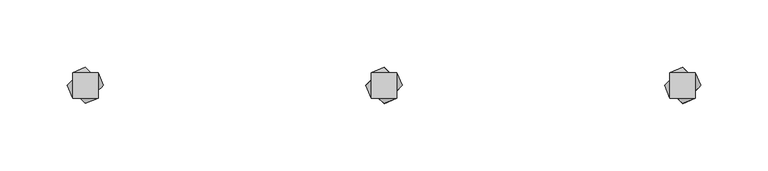
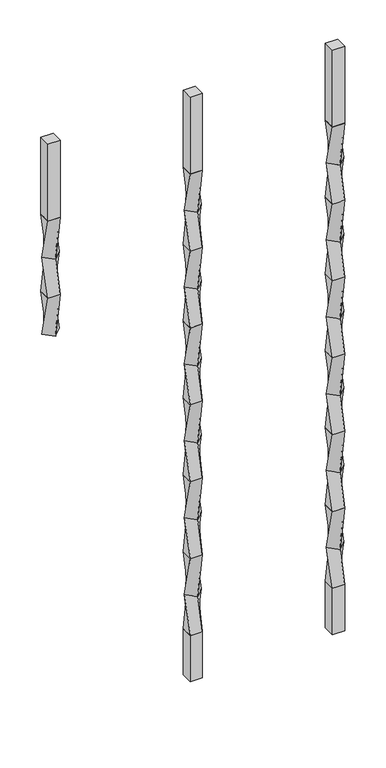
"""IFC4 building model written with IfcOpenShell, lengths in millimetres: proxy geometry."""

from ifc_helpers import new_model, si_unit, frame, origin, place, context, project, spatial, polyline, outline, extrude, source, transform, mapped, element, save
from ifc_brep_helpers import plane_surface, spline_surface, advanced_brep


def specialty_equipment_1c750416(model_context):
    return source(origin(), model_context, "Body", "SolidModel", [
        advanced_brep(
        [(-9.525, 9.525, 939.8), (-9.525, -9.525, 939.8), (9.525, -9.525, 939.8), (9.525, 9.525, 939.8), (0.0, 13.4703842, 876.3), (13.4703842, 0.0, 876.3), (0.0, -13.4703842, 876.3), (-13.4703842, 0.0, 876.3)],
        [
            (0, 1),
            (1, 2),
            (2, 3),
            (3, 0),
            (4, 5),
            (5, 6),
            (6, 7),
            (7, 4),
            (4, 0),
            (3, 5),
            (2, 6),
            (1, 7),
        ],
        [
            plane_surface(frame((0.0, 0.0, 939.8), z_axis=(0.0, 0.0, 1.0), x_axis=(0.0, -1.0, 0.0))),
            plane_surface(frame((0.0, 0.0, 876.3), z_axis=(0.0, 0.0, -1.0), x_axis=(0.0, -1.0, 0.0))),
            spline_surface(1, 1, [[(13.4703842, 0.0, 876.3), (9.525, 9.525, 939.8)], [(0.0, 13.4703842, 876.3), (-9.525, 9.525, 939.8)]], [2, 2], [2, 2], [0.0, 1.0], [0.0, 1.0]),
            spline_surface(1, 1, [[(0.0, -13.4703842, 876.3), (9.525, -9.525, 939.8)], [(13.4703842, 0.0, 876.3), (9.525, 9.525, 939.8)]], [2, 2], [2, 2], [0.0, 1.0], [0.0, 1.0]),
            spline_surface(1, 1, [[(-13.4703842, 0.0, 876.3), (-9.525, -9.525, 939.8)], [(0.0, -13.4703842, 876.3), (9.525, -9.525, 939.8)]], [2, 2], [2, 2], [0.0, 1.0], [0.0, 1.0]),
            spline_surface(1, 1, [[(0.0, 13.4703842, 876.3), (-9.525, 9.525, 939.8)], [(-13.4703842, 0.0, 876.3), (-9.525, -9.525, 939.8)]], [2, 2], [2, 2], [0.0, 1.0], [0.0, 1.0]),
        ],
        [
            (0, [[1, 2, 3, 4]]),
            (1, [[5, 6, 7, 8]]),
            (2, [[-5, 9, -4, 10]]),
            (3, [[-6, -10, -3, 11]]),
            (4, [[-7, -11, -2, 12]]),
            (5, [[-8, -12, -1, -9]]),
        ],
    ),
        advanced_brep(
        [(0.0, 13.4703842, 876.3), (-13.4703842, 0.0, 876.3), (0.0, -13.4703842, 876.3), (13.4703842, 0.0, 876.3), (-9.525, 9.525, 812.8), (9.525, 9.525, 812.8), (9.525, -9.525, 812.8), (-9.525, -9.525, 812.8)],
        [
            (0, 1),
            (1, 2),
            (2, 3),
            (3, 0),
            (4, 5),
            (5, 6),
            (6, 7),
            (7, 4),
            (4, 0),
            (3, 5),
            (2, 6),
            (1, 7),
        ],
        [
            plane_surface(frame((0.0, 0.0, 876.3), z_axis=(0.0, 0.0, 1.0000000000000002), x_axis=(0.7071067811865481, -0.707106781186547, 0.0))),
            plane_surface(frame((0.0, 0.0, 812.8), z_axis=(0.0, 0.0, -1.0000000000000002), x_axis=(0.7071067811865481, -0.707106781186547, 0.0))),
            spline_surface(1, 1, [[(9.525, 9.525, 812.8), (13.4703842, 0.0, 876.3)], [(-9.525, 9.525, 812.8), (0.0, 13.4703842, 876.3)]], [2, 2], [2, 2], [0.0, 1.0], [0.0, 1.0]),
            spline_surface(1, 1, [[(9.525, -9.525, 812.8), (0.0, -13.4703842, 876.3)], [(9.525, 9.525, 812.8), (13.4703842, 0.0, 876.3)]], [2, 2], [2, 2], [0.0, 1.0], [0.0, 1.0]),
            spline_surface(1, 1, [[(-9.525, -9.525, 812.8), (-13.4703842, 0.0, 876.3)], [(9.525, -9.525, 812.8), (0.0, -13.4703842, 876.3)]], [2, 2], [2, 2], [0.0, 1.0], [0.0, 1.0]),
            spline_surface(1, 1, [[(-9.525, 9.525, 812.8), (0.0, 13.4703842, 876.3)], [(-9.525, -9.525, 812.8), (-13.4703842, 0.0, 876.3)]], [2, 2], [2, 2], [0.0, 1.0], [0.0, 1.0]),
        ],
        [
            (0, [[1, 2, 3, 4]]),
            (1, [[5, 6, 7, 8]]),
            (2, [[-5, 9, -4, 10]]),
            (3, [[-6, -10, -3, 11]]),
            (4, [[-7, -11, -2, 12]]),
            (5, [[-8, -12, -1, -9]]),
        ],
    ),
        extrude(outline(polyline([(9.525, 9.525), (9.525, -9.525), (-9.525, -9.525), (-9.525, 9.525), (9.525, 9.525)])), frame((0.0, 0.0, 939.8), z_axis=(0.0, 0.0, 1.0), x_axis=(1.0, 0.0, 0.0)), (0.0, 0.0, 1.0), 127.0),
        advanced_brep(
        [(-9.525, 9.525, 812.8), (-9.525, -9.525, 812.8), (9.525, -9.525, 812.8), (9.525, 9.525, 812.8), (0.0, 13.4703842, 749.3), (13.4703842, 0.0, 749.3), (0.0, -13.4703842, 749.3), (-13.4703842, 0.0, 749.3)],
        [
            (0, 1),
            (1, 2),
            (2, 3),
            (3, 0),
            (4, 5),
            (5, 6),
            (6, 7),
            (7, 4),
            (4, 0),
            (3, 5),
            (2, 6),
            (1, 7),
        ],
        [
            plane_surface(frame((0.0, 0.0, 812.8), z_axis=(0.0, 0.0, 1.0), x_axis=(0.0, -1.0, 0.0))),
            plane_surface(frame((0.0, 0.0, 749.3), z_axis=(0.0, 0.0, -1.0), x_axis=(0.0, -1.0, 0.0))),
            spline_surface(1, 1, [[(13.4703842, 0.0, 749.3), (9.525, 9.525, 812.8)], [(0.0, 13.4703842, 749.3), (-9.525, 9.525, 812.8)]], [2, 2], [2, 2], [0.0, 1.0], [0.0, 1.0]),
            spline_surface(1, 1, [[(0.0, -13.4703842, 749.3), (9.525, -9.525, 812.8)], [(13.4703842, 0.0, 749.3), (9.525, 9.525, 812.8)]], [2, 2], [2, 2], [0.0, 1.0], [0.0, 1.0]),
            spline_surface(1, 1, [[(-13.4703842, 0.0, 749.3), (-9.525, -9.525, 812.8)], [(0.0, -13.4703842, 749.3), (9.525, -9.525, 812.8)]], [2, 2], [2, 2], [0.0, 1.0], [0.0, 1.0]),
            spline_surface(1, 1, [[(0.0, 13.4703842, 749.3), (-9.525, 9.525, 812.8)], [(-13.4703842, 0.0, 749.3), (-9.525, -9.525, 812.8)]], [2, 2], [2, 2], [0.0, 1.0], [0.0, 1.0]),
        ],
        [
            (0, [[1, 2, 3, 4]]),
            (1, [[5, 6, 7, 8]]),
            (2, [[-5, 9, -4, 10]]),
            (3, [[-6, -10, -3, 11]]),
            (4, [[-7, -11, -2, 12]]),
            (5, [[-8, -12, -1, -9]]),
        ],
    ),
        advanced_brep(
        [(0.0, 13.4703842, 749.3), (-13.4703842, 0.0, 749.3), (0.0, -13.4703842, 749.3), (13.4703842, 0.0, 749.3), (-9.525, 9.525, 685.8), (9.525, 9.525, 685.8), (9.525, -9.525, 685.8), (-9.525, -9.525, 685.8)],
        [
            (0, 1),
            (1, 2),
            (2, 3),
            (3, 0),
            (4, 5),
            (5, 6),
            (6, 7),
            (7, 4),
            (4, 0),
            (3, 5),
            (2, 6),
            (1, 7),
        ],
        [
            plane_surface(frame((0.0, 0.0, 749.3), z_axis=(0.0, 0.0, 1.0000000000000002), x_axis=(0.7071067811865481, -0.707106781186547, 0.0))),
            plane_surface(frame((0.0, 0.0, 685.8), z_axis=(0.0, 0.0, -1.0000000000000002), x_axis=(0.7071067811865481, -0.707106781186547, 0.0))),
            spline_surface(1, 1, [[(9.525, 9.525, 685.8), (13.4703842, 0.0, 749.3)], [(-9.525, 9.525, 685.8), (0.0, 13.4703842, 749.3)]], [2, 2], [2, 2], [0.0, 1.0], [0.0, 1.0]),
            spline_surface(1, 1, [[(9.525, -9.525, 685.8), (0.0, -13.4703842, 749.3)], [(9.525, 9.525, 685.8), (13.4703842, 0.0, 749.3)]], [2, 2], [2, 2], [0.0, 1.0], [0.0, 1.0]),
            spline_surface(1, 1, [[(-9.525, -9.525, 685.8), (-13.4703842, 0.0, 749.3)], [(9.525, -9.525, 685.8), (0.0, -13.4703842, 749.3)]], [2, 2], [2, 2], [0.0, 1.0], [0.0, 1.0]),
            spline_surface(1, 1, [[(-9.525, 9.525, 685.8), (0.0, 13.4703842, 749.3)], [(-9.525, -9.525, 685.8), (-13.4703842, 0.0, 749.3)]], [2, 2], [2, 2], [0.0, 1.0], [0.0, 1.0]),
        ],
        [
            (0, [[1, 2, 3, 4]]),
            (1, [[5, 6, 7, 8]]),
            (2, [[-5, 9, -4, 10]]),
            (3, [[-6, -10, -3, 11]]),
            (4, [[-7, -11, -2, 12]]),
            (5, [[-8, -12, -1, -9]]),
        ],
    ),
        advanced_brep(
        [(-9.525, 9.525, 685.8), (-9.525, -9.525, 685.8), (9.525, -9.525, 685.8), (9.525, 9.525, 685.8), (0.0, 13.4703842, 622.3), (13.4703842, 0.0, 622.3), (0.0, -13.4703842, 622.3), (-13.4703842, 0.0, 622.3)],
        [
            (0, 1),
            (1, 2),
            (2, 3),
            (3, 0),
            (4, 5),
            (5, 6),
            (6, 7),
            (7, 4),
            (4, 0),
            (3, 5),
            (2, 6),
            (1, 7),
        ],
        [
            plane_surface(frame((0.0, 0.0, 685.8), z_axis=(0.0, 0.0, 1.0), x_axis=(0.0, -1.0, 0.0))),
            plane_surface(frame((0.0, 0.0, 622.3), z_axis=(0.0, 0.0, -1.0), x_axis=(0.0, -1.0, 0.0))),
            spline_surface(1, 1, [[(13.4703842, 0.0, 622.3), (9.525, 9.525, 685.8)], [(0.0, 13.4703842, 622.3), (-9.525, 9.525, 685.8)]], [2, 2], [2, 2], [0.0, 1.0], [0.0, 1.0]),
            spline_surface(1, 1, [[(0.0, -13.4703842, 622.3), (9.525, -9.525, 685.8)], [(13.4703842, 0.0, 622.3), (9.525, 9.525, 685.8)]], [2, 2], [2, 2], [0.0, 1.0], [0.0, 1.0]),
            spline_surface(1, 1, [[(-13.4703842, 0.0, 622.3), (-9.525, -9.525, 685.8)], [(0.0, -13.4703842, 622.3), (9.525, -9.525, 685.8)]], [2, 2], [2, 2], [0.0, 1.0], [0.0, 1.0]),
            spline_surface(1, 1, [[(0.0, 13.4703842, 622.3), (-9.525, 9.525, 685.8)], [(-13.4703842, 0.0, 622.3), (-9.525, -9.525, 685.8)]], [2, 2], [2, 2], [0.0, 1.0], [0.0, 1.0]),
        ],
        [
            (0, [[1, 2, 3, 4]]),
            (1, [[5, 6, 7, 8]]),
            (2, [[-5, 9, -4, 10]]),
            (3, [[-6, -10, -3, 11]]),
            (4, [[-7, -11, -2, 12]]),
            (5, [[-8, -12, -1, -9]]),
        ],
    ),
        advanced_brep(
        [(0.0, 13.4703842, 622.3), (-13.4703842, 0.0, 622.3), (0.0, -13.4703842, 622.3), (13.4703842, 0.0, 622.3), (-9.525, 9.525, 558.8), (9.525, 9.525, 558.8), (9.525, -9.525, 558.8), (-9.525, -9.525, 558.8)],
        [
            (0, 1),
            (1, 2),
            (2, 3),
            (3, 0),
            (4, 5),
            (5, 6),
            (6, 7),
            (7, 4),
            (4, 0),
            (3, 5),
            (2, 6),
            (1, 7),
        ],
        [
            plane_surface(frame((0.0, 0.0, 622.3), z_axis=(0.0, 0.0, 1.0000000000000002), x_axis=(0.7071067811865481, -0.707106781186547, 0.0))),
            plane_surface(frame((0.0, 0.0, 558.8), z_axis=(0.0, 0.0, -1.0000000000000002), x_axis=(0.7071067811865481, -0.707106781186547, 0.0))),
            spline_surface(1, 1, [[(9.525, 9.525, 558.8), (13.4703842, 0.0, 622.3)], [(-9.525, 9.525, 558.8), (0.0, 13.4703842, 622.3)]], [2, 2], [2, 2], [0.0, 1.0], [0.0, 1.0]),
            spline_surface(1, 1, [[(9.525, -9.525, 558.8), (0.0, -13.4703842, 622.3)], [(9.525, 9.525, 558.8), (13.4703842, 0.0, 622.3)]], [2, 2], [2, 2], [0.0, 1.0], [0.0, 1.0]),
            spline_surface(1, 1, [[(-9.525, -9.525, 558.8), (-13.4703842, 0.0, 622.3)], [(9.525, -9.525, 558.8), (0.0, -13.4703842, 622.3)]], [2, 2], [2, 2], [0.0, 1.0], [0.0, 1.0]),
            spline_surface(1, 1, [[(-9.525, 9.525, 558.8), (0.0, 13.4703842, 622.3)], [(-9.525, -9.525, 558.8), (-13.4703842, 0.0, 622.3)]], [2, 2], [2, 2], [0.0, 1.0], [0.0, 1.0]),
        ],
        [
            (0, [[1, 2, 3, 4]]),
            (1, [[5, 6, 7, 8]]),
            (2, [[-5, 9, -4, 10]]),
            (3, [[-6, -10, -3, 11]]),
            (4, [[-7, -11, -2, 12]]),
            (5, [[-8, -12, -1, -9]]),
        ],
    ),
        advanced_brep(
        [(-9.525, 9.525, 558.8), (-9.525, -9.525, 558.8), (9.525, -9.525, 558.8), (9.525, 9.525, 558.8), (0.0, 13.4703842, 495.3), (13.4703842, 0.0, 495.3), (0.0, -13.4703842, 495.3), (-13.4703842, 0.0, 495.3)],
        [
            (0, 1),
            (1, 2),
            (2, 3),
            (3, 0),
            (4, 5),
            (5, 6),
            (6, 7),
            (7, 4),
            (4, 0),
            (3, 5),
            (2, 6),
            (1, 7),
        ],
        [
            plane_surface(frame((0.0, 0.0, 558.8), z_axis=(0.0, 0.0, 1.0), x_axis=(0.0, -1.0, 0.0))),
            plane_surface(frame((0.0, 0.0, 495.3), z_axis=(0.0, 0.0, -1.0), x_axis=(0.0, -1.0, 0.0))),
            spline_surface(1, 1, [[(13.4703842, 0.0, 495.3), (9.525, 9.525, 558.8)], [(0.0, 13.4703842, 495.3), (-9.525, 9.525, 558.8)]], [2, 2], [2, 2], [0.0, 1.0], [0.0, 1.0]),
            spline_surface(1, 1, [[(0.0, -13.4703842, 495.3), (9.525, -9.525, 558.8)], [(13.4703842, 0.0, 495.3), (9.525, 9.525, 558.8)]], [2, 2], [2, 2], [0.0, 1.0], [0.0, 1.0]),
            spline_surface(1, 1, [[(-13.4703842, 0.0, 495.3), (-9.525, -9.525, 558.8)], [(0.0, -13.4703842, 495.3), (9.525, -9.525, 558.8)]], [2, 2], [2, 2], [0.0, 1.0], [0.0, 1.0]),
            spline_surface(1, 1, [[(0.0, 13.4703842, 495.3), (-9.525, 9.525, 558.8)], [(-13.4703842, 0.0, 495.3), (-9.525, -9.525, 558.8)]], [2, 2], [2, 2], [0.0, 1.0], [0.0, 1.0]),
        ],
        [
            (0, [[1, 2, 3, 4]]),
            (1, [[5, 6, 7, 8]]),
            (2, [[-5, 9, -4, 10]]),
            (3, [[-6, -10, -3, 11]]),
            (4, [[-7, -11, -2, 12]]),
            (5, [[-8, -12, -1, -9]]),
        ],
    ),
        advanced_brep(
        [(0.0, 13.4703842, 495.3), (-13.4703842, 0.0, 495.3), (0.0, -13.4703842, 495.3), (13.4703842, 0.0, 495.3), (-9.525, 9.525, 431.8), (9.525, 9.525, 431.8), (9.525, -9.525, 431.8), (-9.525, -9.525, 431.8)],
        [
            (0, 1),
            (1, 2),
            (2, 3),
            (3, 0),
            (4, 5),
            (5, 6),
            (6, 7),
            (7, 4),
            (4, 0),
            (3, 5),
            (2, 6),
            (1, 7),
        ],
        [
            plane_surface(frame((0.0, 0.0, 495.3), z_axis=(0.0, 0.0, 1.0000000000000002), x_axis=(0.7071067811865481, -0.707106781186547, 0.0))),
            plane_surface(frame((0.0, 0.0, 431.8), z_axis=(0.0, 0.0, -1.0000000000000002), x_axis=(0.7071067811865481, -0.707106781186547, 0.0))),
            spline_surface(1, 1, [[(9.525, 9.525, 431.8), (13.4703842, 0.0, 495.3)], [(-9.525, 9.525, 431.8), (0.0, 13.4703842, 495.3)]], [2, 2], [2, 2], [0.0, 1.0], [0.0, 1.0]),
            spline_surface(1, 1, [[(9.525, -9.525, 431.8), (0.0, -13.4703842, 495.3)], [(9.525, 9.525, 431.8), (13.4703842, 0.0, 495.3)]], [2, 2], [2, 2], [0.0, 1.0], [0.0, 1.0]),
            spline_surface(1, 1, [[(-9.525, -9.525, 431.8), (-13.4703842, 0.0, 495.3)], [(9.525, -9.525, 431.8), (0.0, -13.4703842, 495.3)]], [2, 2], [2, 2], [0.0, 1.0], [0.0, 1.0]),
            spline_surface(1, 1, [[(-9.525, 9.525, 431.8), (0.0, 13.4703842, 495.3)], [(-9.525, -9.525, 431.8), (-13.4703842, 0.0, 495.3)]], [2, 2], [2, 2], [0.0, 1.0], [0.0, 1.0]),
        ],
        [
            (0, [[1, 2, 3, 4]]),
            (1, [[5, 6, 7, 8]]),
            (2, [[-5, 9, -4, 10]]),
            (3, [[-6, -10, -3, 11]]),
            (4, [[-7, -11, -2, 12]]),
            (5, [[-8, -12, -1, -9]]),
        ],
    ),
        advanced_brep(
        [(-9.525, 9.525, 431.8), (-9.525, -9.525, 431.8), (9.525, -9.525, 431.8), (9.525, 9.525, 431.8), (0.0, 13.4703842, 368.3), (13.4703842, 0.0, 368.3), (0.0, -13.4703842, 368.3), (-13.4703842, 0.0, 368.3)],
        [
            (0, 1),
            (1, 2),
            (2, 3),
            (3, 0),
            (4, 5),
            (5, 6),
            (6, 7),
            (7, 4),
            (4, 0),
            (3, 5),
            (2, 6),
            (1, 7),
        ],
        [
            plane_surface(frame((0.0, 0.0, 431.8), z_axis=(0.0, 0.0, 1.0), x_axis=(0.0, -1.0, 0.0))),
            plane_surface(frame((0.0, 0.0, 368.3), z_axis=(0.0, 0.0, -1.0), x_axis=(0.0, -1.0, 0.0))),
            spline_surface(1, 1, [[(13.4703842, 0.0, 368.3), (9.525, 9.525, 431.8)], [(0.0, 13.4703842, 368.3), (-9.525, 9.525, 431.8)]], [2, 2], [2, 2], [0.0, 1.0], [0.0, 1.0]),
            spline_surface(1, 1, [[(0.0, -13.4703842, 368.3), (9.525, -9.525, 431.8)], [(13.4703842, 0.0, 368.3), (9.525, 9.525, 431.8)]], [2, 2], [2, 2], [0.0, 1.0], [0.0, 1.0]),
            spline_surface(1, 1, [[(-13.4703842, 0.0, 368.3), (-9.525, -9.525, 431.8)], [(0.0, -13.4703842, 368.3), (9.525, -9.525, 431.8)]], [2, 2], [2, 2], [0.0, 1.0], [0.0, 1.0]),
            spline_surface(1, 1, [[(0.0, 13.4703842, 368.3), (-9.525, 9.525, 431.8)], [(-13.4703842, 0.0, 368.3), (-9.525, -9.525, 431.8)]], [2, 2], [2, 2], [0.0, 1.0], [0.0, 1.0]),
        ],
        [
            (0, [[1, 2, 3, 4]]),
            (1, [[5, 6, 7, 8]]),
            (2, [[-5, 9, -4, 10]]),
            (3, [[-6, -10, -3, 11]]),
            (4, [[-7, -11, -2, 12]]),
            (5, [[-8, -12, -1, -9]]),
        ],
    ),
        advanced_brep(
        [(0.0, 13.4703842, 368.3), (-13.4703842, 0.0, 368.3), (0.0, -13.4703842, 368.3), (13.4703842, 0.0, 368.3), (-9.525, 9.525, 304.8), (9.525, 9.525, 304.8), (9.525, -9.525, 304.8), (-9.525, -9.525, 304.8)],
        [
            (0, 1),
            (1, 2),
            (2, 3),
            (3, 0),
            (4, 5),
            (5, 6),
            (6, 7),
            (7, 4),
            (4, 0),
            (3, 5),
            (2, 6),
            (1, 7),
        ],
        [
            plane_surface(frame((0.0, 0.0, 368.3), z_axis=(0.0, 0.0, 1.0000000000000002), x_axis=(0.7071067811865481, -0.707106781186547, 0.0))),
            plane_surface(frame((0.0, 0.0, 304.8), z_axis=(0.0, 0.0, -1.0000000000000002), x_axis=(0.7071067811865481, -0.707106781186547, 0.0))),
            spline_surface(1, 1, [[(9.525, 9.525, 304.8), (13.4703842, 0.0, 368.3)], [(-9.525, 9.525, 304.8), (0.0, 13.4703842, 368.3)]], [2, 2], [2, 2], [0.0, 1.0], [0.0, 1.0]),
            spline_surface(1, 1, [[(9.525, -9.525, 304.8), (0.0, -13.4703842, 368.3)], [(9.525, 9.525, 304.8), (13.4703842, 0.0, 368.3)]], [2, 2], [2, 2], [0.0, 1.0], [0.0, 1.0]),
            spline_surface(1, 1, [[(-9.525, -9.525, 304.8), (-13.4703842, 0.0, 368.3)], [(9.525, -9.525, 304.8), (0.0, -13.4703842, 368.3)]], [2, 2], [2, 2], [0.0, 1.0], [0.0, 1.0]),
            spline_surface(1, 1, [[(-9.525, 9.525, 304.8), (0.0, 13.4703842, 368.3)], [(-9.525, -9.525, 304.8), (-13.4703842, 0.0, 368.3)]], [2, 2], [2, 2], [0.0, 1.0], [0.0, 1.0]),
        ],
        [
            (0, [[1, 2, 3, 4]]),
            (1, [[5, 6, 7, 8]]),
            (2, [[-5, 9, -4, 10]]),
            (3, [[-6, -10, -3, 11]]),
            (4, [[-7, -11, -2, 12]]),
            (5, [[-8, -12, -1, -9]]),
        ],
    ),
        advanced_brep(
        [(-9.525, 9.525, 304.8), (-9.525, -9.525, 304.8), (9.525, -9.525, 304.8), (9.525, 9.525, 304.8), (0.0, 13.4703842, 241.3), (13.4703842, 0.0, 241.3), (0.0, -13.4703842, 241.3), (-13.4703842, 0.0, 241.3)],
        [
            (0, 1),
            (1, 2),
            (2, 3),
            (3, 0),
            (4, 5),
            (5, 6),
            (6, 7),
            (7, 4),
            (4, 0),
            (3, 5),
            (2, 6),
            (1, 7),
        ],
        [
            plane_surface(frame((0.0, 0.0, 304.8), z_axis=(0.0, 0.0, 1.0), x_axis=(0.0, -1.0, 0.0))),
            plane_surface(frame((0.0, 0.0, 241.3), z_axis=(0.0, 0.0, -1.0), x_axis=(0.0, -1.0, 0.0))),
            spline_surface(1, 1, [[(13.4703842, 0.0, 241.3), (9.525, 9.525, 304.8)], [(0.0, 13.4703842, 241.3), (-9.525, 9.525, 304.8)]], [2, 2], [2, 2], [0.0, 1.0], [0.0, 1.0]),
            spline_surface(1, 1, [[(0.0, -13.4703842, 241.3), (9.525, -9.525, 304.8)], [(13.4703842, 0.0, 241.3), (9.525, 9.525, 304.8)]], [2, 2], [2, 2], [0.0, 1.0], [0.0, 1.0]),
            spline_surface(1, 1, [[(-13.4703842, 0.0, 241.3), (-9.525, -9.525, 304.8)], [(0.0, -13.4703842, 241.3), (9.525, -9.525, 304.8)]], [2, 2], [2, 2], [0.0, 1.0], [0.0, 1.0]),
            spline_surface(1, 1, [[(0.0, 13.4703842, 241.3), (-9.525, 9.525, 304.8)], [(-13.4703842, 0.0, 241.3), (-9.525, -9.525, 304.8)]], [2, 2], [2, 2], [0.0, 1.0], [0.0, 1.0]),
        ],
        [
            (0, [[1, 2, 3, 4]]),
            (1, [[5, 6, 7, 8]]),
            (2, [[-5, 9, -4, 10]]),
            (3, [[-6, -10, -3, 11]]),
            (4, [[-7, -11, -2, 12]]),
            (5, [[-8, -12, -1, -9]]),
        ],
    ),
        advanced_brep(
        [(0.0, 13.4703842, 241.3), (-13.4703842, 0.0, 241.3), (0.0, -13.4703842, 241.3), (13.4703842, 0.0, 241.3), (-9.525, 9.525, 177.8), (9.525, 9.525, 177.8), (9.525, -9.525, 177.8), (-9.525, -9.525, 177.8)],
        [
            (0, 1),
            (1, 2),
            (2, 3),
            (3, 0),
            (4, 5),
            (5, 6),
            (6, 7),
            (7, 4),
            (4, 0),
            (3, 5),
            (2, 6),
            (1, 7),
        ],
        [
            plane_surface(frame((0.0, 0.0, 241.3), z_axis=(0.0, 0.0, 1.0000000000000002), x_axis=(0.7071067811865481, -0.707106781186547, 0.0))),
            plane_surface(frame((0.0, 0.0, 177.8), z_axis=(0.0, 0.0, -1.0000000000000002), x_axis=(0.7071067811865481, -0.707106781186547, 0.0))),
            spline_surface(1, 1, [[(9.525, 9.525, 177.8), (13.4703842, 0.0, 241.3)], [(-9.525, 9.525, 177.8), (0.0, 13.4703842, 241.3)]], [2, 2], [2, 2], [0.0, 1.0], [0.0, 1.0]),
            spline_surface(1, 1, [[(9.525, -9.525, 177.8), (0.0, -13.4703842, 241.3)], [(9.525, 9.525, 177.8), (13.4703842, 0.0, 241.3)]], [2, 2], [2, 2], [0.0, 1.0], [0.0, 1.0]),
            spline_surface(1, 1, [[(-9.525, -9.525, 177.8), (-13.4703842, 0.0, 241.3)], [(9.525, -9.525, 177.8), (0.0, -13.4703842, 241.3)]], [2, 2], [2, 2], [0.0, 1.0], [0.0, 1.0]),
            spline_surface(1, 1, [[(-9.525, 9.525, 177.8), (0.0, 13.4703842, 241.3)], [(-9.525, -9.525, 177.8), (-13.4703842, 0.0, 241.3)]], [2, 2], [2, 2], [0.0, 1.0], [0.0, 1.0]),
        ],
        [
            (0, [[1, 2, 3, 4]]),
            (1, [[5, 6, 7, 8]]),
            (2, [[-5, 9, -4, 10]]),
            (3, [[-6, -10, -3, 11]]),
            (4, [[-7, -11, -2, 12]]),
            (5, [[-8, -12, -1, -9]]),
        ],
    ),
        extrude(outline(polyline([(9.525, 9.525), (9.525, -9.525), (-9.525, -9.525), (-9.525, 9.525), (9.525, 9.525)])), frame((0.0, 0.0, 101.6), z_axis=(0.0, 0.0, 1.0), x_axis=(1.0, 0.0, 0.0)), (0.0, 0.0, 1.0), 76.2),
        advanced_brep(
        [(212.725, 9.525, 939.8), (212.725, -9.525, 939.8), (231.775, -9.525, 939.8), (231.775, 9.525, 939.8), (222.25, 13.4703842, 876.3), (235.7203842, 0.0, 876.3), (222.25, -13.4703842, 876.3), (208.7796158, 0.0, 876.3)],
        [
            (0, 1),
            (1, 2),
            (2, 3),
            (3, 0),
            (4, 5),
            (5, 6),
            (6, 7),
            (7, 4),
            (4, 0),
            (3, 5),
            (2, 6),
            (1, 7),
        ],
        [
            plane_surface(frame((222.25, 0.0, 939.8), z_axis=(0.0, 0.0, 1.0), x_axis=(0.0, -1.0, 0.0))),
            plane_surface(frame((222.25, 0.0, 876.3), z_axis=(0.0, 0.0, -1.0), x_axis=(0.0, -1.0, 0.0))),
            spline_surface(1, 1, [[(235.7203842, 0.0, 876.3), (231.775, 9.525, 939.8)], [(222.25, 13.4703842, 876.3), (212.725, 9.525, 939.8)]], [2, 2], [2, 2], [0.0, 1.0], [0.0, 1.0]),
            spline_surface(1, 1, [[(222.25, -13.4703842, 876.3), (231.775, -9.525, 939.8)], [(235.7203842, 0.0, 876.3), (231.775, 9.525, 939.8)]], [2, 2], [2, 2], [0.0, 1.0], [0.0, 1.0]),
            spline_surface(1, 1, [[(208.7796158, 0.0, 876.3), (212.725, -9.525, 939.8)], [(222.25, -13.4703842, 876.3), (231.775, -9.525, 939.8)]], [2, 2], [2, 2], [0.0, 1.0], [0.0, 1.0]),
            spline_surface(1, 1, [[(222.25, 13.4703842, 876.3), (212.725, 9.525, 939.8)], [(208.7796158, 0.0, 876.3), (212.725, -9.525, 939.8)]], [2, 2], [2, 2], [0.0, 1.0], [0.0, 1.0]),
        ],
        [
            (0, [[1, 2, 3, 4]]),
            (1, [[5, 6, 7, 8]]),
            (2, [[-5, 9, -4, 10]]),
            (3, [[-6, -10, -3, 11]]),
            (4, [[-7, -11, -2, 12]]),
            (5, [[-8, -12, -1, -9]]),
        ],
    ),
        advanced_brep(
        [(222.25, 13.4703842, 876.3), (208.7796158, 0.0, 876.3), (222.25, -13.4703842, 876.3), (235.7203842, 0.0, 876.3), (212.725, 9.525, 812.8), (231.775, 9.525, 812.8), (231.775, -9.525, 812.8), (212.725, -9.525, 812.8)],
        [
            (0, 1),
            (1, 2),
            (2, 3),
            (3, 0),
            (4, 5),
            (5, 6),
            (6, 7),
            (7, 4),
            (4, 0),
            (3, 5),
            (2, 6),
            (1, 7),
        ],
        [
            plane_surface(frame((222.25, 0.0, 876.3), z_axis=(0.0, 0.0, 1.0000000000000002), x_axis=(0.7071067811865481, -0.707106781186547, 0.0))),
            plane_surface(frame((222.25, 0.0, 812.8), z_axis=(0.0, 0.0, -1.0000000000000002), x_axis=(0.7071067811865481, -0.707106781186547, 0.0))),
            spline_surface(1, 1, [[(231.775, 9.525, 812.8), (235.7203842, 0.0, 876.3)], [(212.725, 9.525, 812.8), (222.25, 13.4703842, 876.3)]], [2, 2], [2, 2], [0.0, 1.0], [0.0, 1.0]),
            spline_surface(1, 1, [[(231.775, -9.525, 812.8), (222.25, -13.4703842, 876.3)], [(231.775, 9.525, 812.8), (235.7203842, 0.0, 876.3)]], [2, 2], [2, 2], [0.0, 1.0], [0.0, 1.0]),
            spline_surface(1, 1, [[(212.725, -9.525, 812.8), (208.7796158, 0.0, 876.3)], [(231.775, -9.525, 812.8), (222.25, -13.4703842, 876.3)]], [2, 2], [2, 2], [0.0, 1.0], [0.0, 1.0]),
            spline_surface(1, 1, [[(212.725, 9.525, 812.8), (222.25, 13.4703842, 876.3)], [(212.725, -9.525, 812.8), (208.7796158, 0.0, 876.3)]], [2, 2], [2, 2], [0.0, 1.0], [0.0, 1.0]),
        ],
        [
            (0, [[1, 2, 3, 4]]),
            (1, [[5, 6, 7, 8]]),
            (2, [[-5, 9, -4, 10]]),
            (3, [[-6, -10, -3, 11]]),
            (4, [[-7, -11, -2, 12]]),
            (5, [[-8, -12, -1, -9]]),
        ],
    ),
        extrude(outline(polyline([(231.775, 9.525), (231.775, -9.525), (212.725, -9.525), (212.725, 9.525), (231.775, 9.525)])), frame((0.0, 0.0, 939.8), z_axis=(0.0, 0.0, 1.0), x_axis=(1.0, 0.0, 0.0)), (0.0, 0.0, 1.0), 127.0),
        advanced_brep(
        [(212.725, 9.525, 812.8), (212.725, -9.525, 812.8), (231.775, -9.525, 812.8), (231.775, 9.525, 812.8), (222.25, 13.4703842, 749.3), (235.7203842, 0.0, 749.3), (222.25, -13.4703842, 749.3), (208.7796158, 0.0, 749.3)],
        [
            (0, 1),
            (1, 2),
            (2, 3),
            (3, 0),
            (4, 5),
            (5, 6),
            (6, 7),
            (7, 4),
            (4, 0),
            (3, 5),
            (2, 6),
            (1, 7),
        ],
        [
            plane_surface(frame((222.25, 0.0, 812.8), z_axis=(0.0, 0.0, 1.0), x_axis=(0.0, -1.0, 0.0))),
            plane_surface(frame((222.25, 0.0, 749.3), z_axis=(0.0, 0.0, -1.0), x_axis=(0.0, -1.0, 0.0))),
            spline_surface(1, 1, [[(235.7203842, 0.0, 749.3), (231.775, 9.525, 812.8)], [(222.25, 13.4703842, 749.3), (212.725, 9.525, 812.8)]], [2, 2], [2, 2], [0.0, 1.0], [0.0, 1.0]),
            spline_surface(1, 1, [[(222.25, -13.4703842, 749.3), (231.775, -9.525, 812.8)], [(235.7203842, 0.0, 749.3), (231.775, 9.525, 812.8)]], [2, 2], [2, 2], [0.0, 1.0], [0.0, 1.0]),
            spline_surface(1, 1, [[(208.7796158, 0.0, 749.3), (212.725, -9.525, 812.8)], [(222.25, -13.4703842, 749.3), (231.775, -9.525, 812.8)]], [2, 2], [2, 2], [0.0, 1.0], [0.0, 1.0]),
            spline_surface(1, 1, [[(222.25, 13.4703842, 749.3), (212.725, 9.525, 812.8)], [(208.7796158, 0.0, 749.3), (212.725, -9.525, 812.8)]], [2, 2], [2, 2], [0.0, 1.0], [0.0, 1.0]),
        ],
        [
            (0, [[1, 2, 3, 4]]),
            (1, [[5, 6, 7, 8]]),
            (2, [[-5, 9, -4, 10]]),
            (3, [[-6, -10, -3, 11]]),
            (4, [[-7, -11, -2, 12]]),
            (5, [[-8, -12, -1, -9]]),
        ],
    ),
        advanced_brep(
        [(222.25, 13.4703842, 749.3), (208.7796158, 0.0, 749.3), (222.25, -13.4703842, 749.3), (235.7203842, 0.0, 749.3), (212.725, 9.525, 685.8), (231.775, 9.525, 685.8), (231.775, -9.525, 685.8), (212.725, -9.525, 685.8)],
        [
            (0, 1),
            (1, 2),
            (2, 3),
            (3, 0),
            (4, 5),
            (5, 6),
            (6, 7),
            (7, 4),
            (4, 0),
            (3, 5),
            (2, 6),
            (1, 7),
        ],
        [
            plane_surface(frame((222.25, 0.0, 749.3), z_axis=(0.0, 0.0, 1.0000000000000002), x_axis=(0.7071067811865481, -0.707106781186547, 0.0))),
            plane_surface(frame((222.25, 0.0, 685.8), z_axis=(0.0, 0.0, -1.0000000000000002), x_axis=(0.7071067811865481, -0.707106781186547, 0.0))),
            spline_surface(1, 1, [[(231.775, 9.525, 685.8), (235.7203842, 0.0, 749.3)], [(212.725, 9.525, 685.8), (222.25, 13.4703842, 749.3)]], [2, 2], [2, 2], [0.0, 1.0], [0.0, 1.0]),
            spline_surface(1, 1, [[(231.775, -9.525, 685.8), (222.25, -13.4703842, 749.3)], [(231.775, 9.525, 685.8), (235.7203842, 0.0, 749.3)]], [2, 2], [2, 2], [0.0, 1.0], [0.0, 1.0]),
            spline_surface(1, 1, [[(212.725, -9.525, 685.8), (208.7796158, 0.0, 749.3)], [(231.775, -9.525, 685.8), (222.25, -13.4703842, 749.3)]], [2, 2], [2, 2], [0.0, 1.0], [0.0, 1.0]),
            spline_surface(1, 1, [[(212.725, 9.525, 685.8), (222.25, 13.4703842, 749.3)], [(212.725, -9.525, 685.8), (208.7796158, 0.0, 749.3)]], [2, 2], [2, 2], [0.0, 1.0], [0.0, 1.0]),
        ],
        [
            (0, [[1, 2, 3, 4]]),
            (1, [[5, 6, 7, 8]]),
            (2, [[-5, 9, -4, 10]]),
            (3, [[-6, -10, -3, 11]]),
            (4, [[-7, -11, -2, 12]]),
            (5, [[-8, -12, -1, -9]]),
        ],
    ),
        advanced_brep(
        [(212.725, 9.525, 685.8), (212.725, -9.525, 685.8), (231.775, -9.525, 685.8), (231.775, 9.525, 685.8), (222.25, 13.4703842, 622.3), (235.7203842, 0.0, 622.3), (222.25, -13.4703842, 622.3), (208.7796158, 0.0, 622.3)],
        [
            (0, 1),
            (1, 2),
            (2, 3),
            (3, 0),
            (4, 5),
            (5, 6),
            (6, 7),
            (7, 4),
            (4, 0),
            (3, 5),
            (2, 6),
            (1, 7),
        ],
        [
            plane_surface(frame((222.25, 0.0, 685.8), z_axis=(0.0, 0.0, 1.0), x_axis=(0.0, -1.0, 0.0))),
            plane_surface(frame((222.25, 0.0, 622.3), z_axis=(0.0, 0.0, -1.0), x_axis=(0.0, -1.0, 0.0))),
            spline_surface(1, 1, [[(235.7203842, 0.0, 622.3), (231.775, 9.525, 685.8)], [(222.25, 13.4703842, 622.3), (212.725, 9.525, 685.8)]], [2, 2], [2, 2], [0.0, 1.0], [0.0, 1.0]),
            spline_surface(1, 1, [[(222.25, -13.4703842, 622.3), (231.775, -9.525, 685.8)], [(235.7203842, 0.0, 622.3), (231.775, 9.525, 685.8)]], [2, 2], [2, 2], [0.0, 1.0], [0.0, 1.0]),
            spline_surface(1, 1, [[(208.7796158, 0.0, 622.3), (212.725, -9.525, 685.8)], [(222.25, -13.4703842, 622.3), (231.775, -9.525, 685.8)]], [2, 2], [2, 2], [0.0, 1.0], [0.0, 1.0]),
            spline_surface(1, 1, [[(222.25, 13.4703842, 622.3), (212.725, 9.525, 685.8)], [(208.7796158, 0.0, 622.3), (212.725, -9.525, 685.8)]], [2, 2], [2, 2], [0.0, 1.0], [0.0, 1.0]),
        ],
        [
            (0, [[1, 2, 3, 4]]),
            (1, [[5, 6, 7, 8]]),
            (2, [[-5, 9, -4, 10]]),
            (3, [[-6, -10, -3, 11]]),
            (4, [[-7, -11, -2, 12]]),
            (5, [[-8, -12, -1, -9]]),
        ],
    ),
        advanced_brep(
        [(222.25, 13.4703842, 622.3), (208.7796158, 0.0, 622.3), (222.25, -13.4703842, 622.3), (235.7203842, 0.0, 622.3), (212.725, 9.525, 558.8), (231.775, 9.525, 558.8), (231.775, -9.525, 558.8), (212.725, -9.525, 558.8)],
        [
            (0, 1),
            (1, 2),
            (2, 3),
            (3, 0),
            (4, 5),
            (5, 6),
            (6, 7),
            (7, 4),
            (4, 0),
            (3, 5),
            (2, 6),
            (1, 7),
        ],
        [
            plane_surface(frame((222.25, 0.0, 622.3), z_axis=(0.0, 0.0, 1.0000000000000002), x_axis=(0.7071067811865481, -0.707106781186547, 0.0))),
            plane_surface(frame((222.25, 0.0, 558.8), z_axis=(0.0, 0.0, -1.0000000000000002), x_axis=(0.7071067811865481, -0.707106781186547, 0.0))),
            spline_surface(1, 1, [[(231.775, 9.525, 558.8), (235.7203842, 0.0, 622.3)], [(212.725, 9.525, 558.8), (222.25, 13.4703842, 622.3)]], [2, 2], [2, 2], [0.0, 1.0], [0.0, 1.0]),
            spline_surface(1, 1, [[(231.775, -9.525, 558.8), (222.25, -13.4703842, 622.3)], [(231.775, 9.525, 558.8), (235.7203842, 0.0, 622.3)]], [2, 2], [2, 2], [0.0, 1.0], [0.0, 1.0]),
            spline_surface(1, 1, [[(212.725, -9.525, 558.8), (208.7796158, 0.0, 622.3)], [(231.775, -9.525, 558.8), (222.25, -13.4703842, 622.3)]], [2, 2], [2, 2], [0.0, 1.0], [0.0, 1.0]),
            spline_surface(1, 1, [[(212.725, 9.525, 558.8), (222.25, 13.4703842, 622.3)], [(212.725, -9.525, 558.8), (208.7796158, 0.0, 622.3)]], [2, 2], [2, 2], [0.0, 1.0], [0.0, 1.0]),
        ],
        [
            (0, [[1, 2, 3, 4]]),
            (1, [[5, 6, 7, 8]]),
            (2, [[-5, 9, -4, 10]]),
            (3, [[-6, -10, -3, 11]]),
            (4, [[-7, -11, -2, 12]]),
            (5, [[-8, -12, -1, -9]]),
        ],
    ),
        advanced_brep(
        [(212.725, 9.525, 558.8), (212.725, -9.525, 558.8), (231.775, -9.525, 558.8), (231.775, 9.525, 558.8), (222.25, 13.4703842, 495.3), (235.7203842, 0.0, 495.3), (222.25, -13.4703842, 495.3), (208.7796158, 0.0, 495.3)],
        [
            (0, 1),
            (1, 2),
            (2, 3),
            (3, 0),
            (4, 5),
            (5, 6),
            (6, 7),
            (7, 4),
            (4, 0),
            (3, 5),
            (2, 6),
            (1, 7),
        ],
        [
            plane_surface(frame((222.25, 0.0, 558.8), z_axis=(0.0, 0.0, 1.0), x_axis=(0.0, -1.0, 0.0))),
            plane_surface(frame((222.25, 0.0, 495.3), z_axis=(0.0, 0.0, -1.0), x_axis=(0.0, -1.0, 0.0))),
            spline_surface(1, 1, [[(235.7203842, 0.0, 495.3), (231.775, 9.525, 558.8)], [(222.25, 13.4703842, 495.3), (212.725, 9.525, 558.8)]], [2, 2], [2, 2], [0.0, 1.0], [0.0, 1.0]),
            spline_surface(1, 1, [[(222.25, -13.4703842, 495.3), (231.775, -9.525, 558.8)], [(235.7203842, 0.0, 495.3), (231.775, 9.525, 558.8)]], [2, 2], [2, 2], [0.0, 1.0], [0.0, 1.0]),
            spline_surface(1, 1, [[(208.7796158, 0.0, 495.3), (212.725, -9.525, 558.8)], [(222.25, -13.4703842, 495.3), (231.775, -9.525, 558.8)]], [2, 2], [2, 2], [0.0, 1.0], [0.0, 1.0]),
            spline_surface(1, 1, [[(222.25, 13.4703842, 495.3), (212.725, 9.525, 558.8)], [(208.7796158, 0.0, 495.3), (212.725, -9.525, 558.8)]], [2, 2], [2, 2], [0.0, 1.0], [0.0, 1.0]),
        ],
        [
            (0, [[1, 2, 3, 4]]),
            (1, [[5, 6, 7, 8]]),
            (2, [[-5, 9, -4, 10]]),
            (3, [[-6, -10, -3, 11]]),
            (4, [[-7, -11, -2, 12]]),
            (5, [[-8, -12, -1, -9]]),
        ],
    ),
        advanced_brep(
        [(222.25, 13.4703842, 495.3), (208.7796158, 0.0, 495.3), (222.25, -13.4703842, 495.3), (235.7203842, 0.0, 495.3), (212.725, 9.525, 431.8), (231.775, 9.525, 431.8), (231.775, -9.525, 431.8), (212.725, -9.525, 431.8)],
        [
            (0, 1),
            (1, 2),
            (2, 3),
            (3, 0),
            (4, 5),
            (5, 6),
            (6, 7),
            (7, 4),
            (4, 0),
            (3, 5),
            (2, 6),
            (1, 7),
        ],
        [
            plane_surface(frame((222.25, 0.0, 495.3), z_axis=(0.0, 0.0, 1.0000000000000002), x_axis=(0.7071067811865481, -0.707106781186547, 0.0))),
            plane_surface(frame((222.25, 0.0, 431.8), z_axis=(0.0, 0.0, -1.0000000000000002), x_axis=(0.7071067811865481, -0.707106781186547, 0.0))),
            spline_surface(1, 1, [[(231.775, 9.525, 431.8), (235.7203842, 0.0, 495.3)], [(212.725, 9.525, 431.8), (222.25, 13.4703842, 495.3)]], [2, 2], [2, 2], [0.0, 1.0], [0.0, 1.0]),
            spline_surface(1, 1, [[(231.775, -9.525, 431.8), (222.25, -13.4703842, 495.3)], [(231.775, 9.525, 431.8), (235.7203842, 0.0, 495.3)]], [2, 2], [2, 2], [0.0, 1.0], [0.0, 1.0]),
            spline_surface(1, 1, [[(212.725, -9.525, 431.8), (208.7796158, 0.0, 495.3)], [(231.775, -9.525, 431.8), (222.25, -13.4703842, 495.3)]], [2, 2], [2, 2], [0.0, 1.0], [0.0, 1.0]),
            spline_surface(1, 1, [[(212.725, 9.525, 431.8), (222.25, 13.4703842, 495.3)], [(212.725, -9.525, 431.8), (208.7796158, 0.0, 495.3)]], [2, 2], [2, 2], [0.0, 1.0], [0.0, 1.0]),
        ],
        [
            (0, [[1, 2, 3, 4]]),
            (1, [[5, 6, 7, 8]]),
            (2, [[-5, 9, -4, 10]]),
            (3, [[-6, -10, -3, 11]]),
            (4, [[-7, -11, -2, 12]]),
            (5, [[-8, -12, -1, -9]]),
        ],
    ),
        advanced_brep(
        [(212.725, 9.525, 431.8), (212.725, -9.525, 431.8), (231.775, -9.525, 431.8), (231.775, 9.525, 431.8), (222.25, 13.4703842, 368.3), (235.7203842, 0.0, 368.3), (222.25, -13.4703842, 368.3), (208.7796158, 0.0, 368.3)],
        [
            (0, 1),
            (1, 2),
            (2, 3),
            (3, 0),
            (4, 5),
            (5, 6),
            (6, 7),
            (7, 4),
            (4, 0),
            (3, 5),
            (2, 6),
            (1, 7),
        ],
        [
            plane_surface(frame((222.25, 0.0, 431.8), z_axis=(0.0, 0.0, 1.0), x_axis=(0.0, -1.0, 0.0))),
            plane_surface(frame((222.25, 0.0, 368.3), z_axis=(0.0, 0.0, -1.0), x_axis=(0.0, -1.0, 0.0))),
            spline_surface(1, 1, [[(235.7203842, 0.0, 368.3), (231.775, 9.525, 431.8)], [(222.25, 13.4703842, 368.3), (212.725, 9.525, 431.8)]], [2, 2], [2, 2], [0.0, 1.0], [0.0, 1.0]),
            spline_surface(1, 1, [[(222.25, -13.4703842, 368.3), (231.775, -9.525, 431.8)], [(235.7203842, 0.0, 368.3), (231.775, 9.525, 431.8)]], [2, 2], [2, 2], [0.0, 1.0], [0.0, 1.0]),
            spline_surface(1, 1, [[(208.7796158, 0.0, 368.3), (212.725, -9.525, 431.8)], [(222.25, -13.4703842, 368.3), (231.775, -9.525, 431.8)]], [2, 2], [2, 2], [0.0, 1.0], [0.0, 1.0]),
            spline_surface(1, 1, [[(222.25, 13.4703842, 368.3), (212.725, 9.525, 431.8)], [(208.7796158, 0.0, 368.3), (212.725, -9.525, 431.8)]], [2, 2], [2, 2], [0.0, 1.0], [0.0, 1.0]),
        ],
        [
            (0, [[1, 2, 3, 4]]),
            (1, [[5, 6, 7, 8]]),
            (2, [[-5, 9, -4, 10]]),
            (3, [[-6, -10, -3, 11]]),
            (4, [[-7, -11, -2, 12]]),
            (5, [[-8, -12, -1, -9]]),
        ],
    ),
        advanced_brep(
        [(222.25, 13.4703842, 368.3), (208.7796158, 0.0, 368.3), (222.25, -13.4703842, 368.3), (235.7203842, 0.0, 368.3), (212.725, 9.525, 304.8), (231.775, 9.525, 304.8), (231.775, -9.525, 304.8), (212.725, -9.525, 304.8)],
        [
            (0, 1),
            (1, 2),
            (2, 3),
            (3, 0),
            (4, 5),
            (5, 6),
            (6, 7),
            (7, 4),
            (4, 0),
            (3, 5),
            (2, 6),
            (1, 7),
        ],
        [
            plane_surface(frame((222.25, 0.0, 368.3), z_axis=(0.0, 0.0, 1.0000000000000002), x_axis=(0.7071067811865481, -0.707106781186547, 0.0))),
            plane_surface(frame((222.25, 0.0, 304.8), z_axis=(0.0, 0.0, -1.0000000000000002), x_axis=(0.7071067811865481, -0.707106781186547, 0.0))),
            spline_surface(1, 1, [[(231.775, 9.525, 304.8), (235.7203842, 0.0, 368.3)], [(212.725, 9.525, 304.8), (222.25, 13.4703842, 368.3)]], [2, 2], [2, 2], [0.0, 1.0], [0.0, 1.0]),
            spline_surface(1, 1, [[(231.775, -9.525, 304.8), (222.25, -13.4703842, 368.3)], [(231.775, 9.525, 304.8), (235.7203842, 0.0, 368.3)]], [2, 2], [2, 2], [0.0, 1.0], [0.0, 1.0]),
            spline_surface(1, 1, [[(212.725, -9.525, 304.8), (208.7796158, 0.0, 368.3)], [(231.775, -9.525, 304.8), (222.25, -13.4703842, 368.3)]], [2, 2], [2, 2], [0.0, 1.0], [0.0, 1.0]),
            spline_surface(1, 1, [[(212.725, 9.525, 304.8), (222.25, 13.4703842, 368.3)], [(212.725, -9.525, 304.8), (208.7796158, 0.0, 368.3)]], [2, 2], [2, 2], [0.0, 1.0], [0.0, 1.0]),
        ],
        [
            (0, [[1, 2, 3, 4]]),
            (1, [[5, 6, 7, 8]]),
            (2, [[-5, 9, -4, 10]]),
            (3, [[-6, -10, -3, 11]]),
            (4, [[-7, -11, -2, 12]]),
            (5, [[-8, -12, -1, -9]]),
        ],
    ),
        advanced_brep(
        [(212.725, 9.525, 304.8), (212.725, -9.525, 304.8), (231.775, -9.525, 304.8), (231.775, 9.525, 304.8), (222.25, 13.4703842, 241.3), (235.7203842, 0.0, 241.3), (222.25, -13.4703842, 241.3), (208.7796158, 0.0, 241.3)],
        [
            (0, 1),
            (1, 2),
            (2, 3),
            (3, 0),
            (4, 5),
            (5, 6),
            (6, 7),
            (7, 4),
            (4, 0),
            (3, 5),
            (2, 6),
            (1, 7),
        ],
        [
            plane_surface(frame((222.25, 0.0, 304.8), z_axis=(0.0, 0.0, 1.0), x_axis=(0.0, -1.0, 0.0))),
            plane_surface(frame((222.25, 0.0, 241.3), z_axis=(0.0, 0.0, -1.0), x_axis=(0.0, -1.0, 0.0))),
            spline_surface(1, 1, [[(235.7203842, 0.0, 241.3), (231.775, 9.525, 304.8)], [(222.25, 13.4703842, 241.3), (212.725, 9.525, 304.8)]], [2, 2], [2, 2], [0.0, 1.0], [0.0, 1.0]),
            spline_surface(1, 1, [[(222.25, -13.4703842, 241.3), (231.775, -9.525, 304.8)], [(235.7203842, 0.0, 241.3), (231.775, 9.525, 304.8)]], [2, 2], [2, 2], [0.0, 1.0], [0.0, 1.0]),
            spline_surface(1, 1, [[(208.7796158, 0.0, 241.3), (212.725, -9.525, 304.8)], [(222.25, -13.4703842, 241.3), (231.775, -9.525, 304.8)]], [2, 2], [2, 2], [0.0, 1.0], [0.0, 1.0]),
            spline_surface(1, 1, [[(222.25, 13.4703842, 241.3), (212.725, 9.525, 304.8)], [(208.7796158, 0.0, 241.3), (212.725, -9.525, 304.8)]], [2, 2], [2, 2], [0.0, 1.0], [0.0, 1.0]),
        ],
        [
            (0, [[1, 2, 3, 4]]),
            (1, [[5, 6, 7, 8]]),
            (2, [[-5, 9, -4, 10]]),
            (3, [[-6, -10, -3, 11]]),
            (4, [[-7, -11, -2, 12]]),
            (5, [[-8, -12, -1, -9]]),
        ],
    ),
        advanced_brep(
        [(222.25, 13.4703842, 241.3), (208.7796158, 0.0, 241.3), (222.25, -13.4703842, 241.3), (235.7203842, 0.0, 241.3), (212.725, 9.525, 177.8), (231.775, 9.525, 177.8), (231.775, -9.525, 177.8), (212.725, -9.525, 177.8)],
        [
            (0, 1),
            (1, 2),
            (2, 3),
            (3, 0),
            (4, 5),
            (5, 6),
            (6, 7),
            (7, 4),
            (4, 0),
            (3, 5),
            (2, 6),
            (1, 7),
        ],
        [
            plane_surface(frame((222.25, 0.0, 241.3), z_axis=(0.0, 0.0, 1.0000000000000002), x_axis=(0.7071067811865481, -0.707106781186547, 0.0))),
            plane_surface(frame((222.25, 0.0, 177.8), z_axis=(0.0, 0.0, -1.0000000000000002), x_axis=(0.7071067811865481, -0.707106781186547, 0.0))),
            spline_surface(1, 1, [[(231.775, 9.525, 177.8), (235.7203842, 0.0, 241.3)], [(212.725, 9.525, 177.8), (222.25, 13.4703842, 241.3)]], [2, 2], [2, 2], [0.0, 1.0], [0.0, 1.0]),
            spline_surface(1, 1, [[(231.775, -9.525, 177.8), (222.25, -13.4703842, 241.3)], [(231.775, 9.525, 177.8), (235.7203842, 0.0, 241.3)]], [2, 2], [2, 2], [0.0, 1.0], [0.0, 1.0]),
            spline_surface(1, 1, [[(212.725, -9.525, 177.8), (208.7796158, 0.0, 241.3)], [(231.775, -9.525, 177.8), (222.25, -13.4703842, 241.3)]], [2, 2], [2, 2], [0.0, 1.0], [0.0, 1.0]),
            spline_surface(1, 1, [[(212.725, 9.525, 177.8), (222.25, 13.4703842, 241.3)], [(212.725, -9.525, 177.8), (208.7796158, 0.0, 241.3)]], [2, 2], [2, 2], [0.0, 1.0], [0.0, 1.0]),
        ],
        [
            (0, [[1, 2, 3, 4]]),
            (1, [[5, 6, 7, 8]]),
            (2, [[-5, 9, -4, 10]]),
            (3, [[-6, -10, -3, 11]]),
            (4, [[-7, -11, -2, 12]]),
            (5, [[-8, -12, -1, -9]]),
        ],
    ),
        extrude(outline(polyline([(231.775, 9.525), (231.775, -9.525), (212.725, -9.525), (212.725, 9.525), (231.775, 9.525)])), frame((0.0, 0.0, 101.6), z_axis=(0.0, 0.0, 1.0), x_axis=(1.0, 0.0, 0.0)), (0.0, 0.0, 1.0), 76.2),
        advanced_brep(
        [(-231.775, 9.525, 939.8), (-231.775, -9.525, 939.8), (-212.725, -9.525, 939.8), (-212.725, 9.525, 939.8), (-222.25, 13.4703842, 876.3), (-208.7796158, 0.0, 876.3), (-222.25, -13.4703842, 876.3), (-235.7203842, 0.0, 876.3)],
        [
            (0, 1),
            (1, 2),
            (2, 3),
            (3, 0),
            (4, 5),
            (5, 6),
            (6, 7),
            (7, 4),
            (4, 0),
            (3, 5),
            (2, 6),
            (1, 7),
        ],
        [
            plane_surface(frame((-222.25, 0.0, 939.8), z_axis=(0.0, 0.0, 1.0), x_axis=(0.0, -1.0, 0.0))),
            plane_surface(frame((-222.25, 0.0, 876.3), z_axis=(0.0, 0.0, -1.0), x_axis=(0.0, -1.0, 0.0))),
            spline_surface(1, 1, [[(-208.7796158, 0.0, 876.3), (-212.725, 9.525, 939.8)], [(-222.25, 13.4703842, 876.3), (-231.775, 9.525, 939.8)]], [2, 2], [2, 2], [0.0, 1.0], [0.0, 1.0]),
            spline_surface(1, 1, [[(-222.25, -13.4703842, 876.3), (-212.725, -9.525, 939.8)], [(-208.7796158, 0.0, 876.3), (-212.725, 9.525, 939.8)]], [2, 2], [2, 2], [0.0, 1.0], [0.0, 1.0]),
            spline_surface(1, 1, [[(-235.7203842, 0.0, 876.3), (-231.775, -9.525, 939.8)], [(-222.25, -13.4703842, 876.3), (-212.725, -9.525, 939.8)]], [2, 2], [2, 2], [0.0, 1.0], [0.0, 1.0]),
            spline_surface(1, 1, [[(-222.25, 13.4703842, 876.3), (-231.775, 9.525, 939.8)], [(-235.7203842, 0.0, 876.3), (-231.775, -9.525, 939.8)]], [2, 2], [2, 2], [0.0, 1.0], [0.0, 1.0]),
        ],
        [
            (0, [[1, 2, 3, 4]]),
            (1, [[5, 6, 7, 8]]),
            (2, [[-5, 9, -4, 10]]),
            (3, [[-6, -10, -3, 11]]),
            (4, [[-7, -11, -2, 12]]),
            (5, [[-8, -12, -1, -9]]),
        ],
    ),
        advanced_brep(
        [(-222.25, 13.4703842, 876.3), (-235.7203842, 0.0, 876.3), (-222.25, -13.4703842, 876.3), (-208.7796158, 0.0, 876.3), (-231.775, 9.525, 812.8), (-212.725, 9.525, 812.8), (-212.725, -9.525, 812.8), (-231.775, -9.525, 812.8)],
        [
            (0, 1),
            (1, 2),
            (2, 3),
            (3, 0),
            (4, 5),
            (5, 6),
            (6, 7),
            (7, 4),
            (4, 0),
            (3, 5),
            (2, 6),
            (1, 7),
        ],
        [
            plane_surface(frame((-222.25, 0.0, 876.3), z_axis=(0.0, 0.0, 1.0000000000000002), x_axis=(0.7071067811865481, -0.707106781186547, 0.0))),
            plane_surface(frame((-222.25, 0.0, 812.8), z_axis=(0.0, 0.0, -1.0000000000000002), x_axis=(0.7071067811865481, -0.707106781186547, 0.0))),
            spline_surface(1, 1, [[(-212.725, 9.525, 812.8), (-208.7796158, 0.0, 876.3)], [(-231.775, 9.525, 812.8), (-222.25, 13.4703842, 876.3)]], [2, 2], [2, 2], [0.0, 1.0], [0.0, 1.0]),
            spline_surface(1, 1, [[(-212.725, -9.525, 812.8), (-222.25, -13.4703842, 876.3)], [(-212.725, 9.525, 812.8), (-208.7796158, 0.0, 876.3)]], [2, 2], [2, 2], [0.0, 1.0], [0.0, 1.0]),
            spline_surface(1, 1, [[(-231.775, -9.525, 812.8), (-235.7203842, 0.0, 876.3)], [(-212.725, -9.525, 812.8), (-222.25, -13.4703842, 876.3)]], [2, 2], [2, 2], [0.0, 1.0], [0.0, 1.0]),
            spline_surface(1, 1, [[(-231.775, 9.525, 812.8), (-222.25, 13.4703842, 876.3)], [(-231.775, -9.525, 812.8), (-235.7203842, 0.0, 876.3)]], [2, 2], [2, 2], [0.0, 1.0], [0.0, 1.0]),
        ],
        [
            (0, [[1, 2, 3, 4]]),
            (1, [[5, 6, 7, 8]]),
            (2, [[-5, 9, -4, 10]]),
            (3, [[-6, -10, -3, 11]]),
            (4, [[-7, -11, -2, 12]]),
            (5, [[-8, -12, -1, -9]]),
        ],
    ),
        extrude(outline(polyline([(-212.725, 9.525), (-212.725, -9.525), (-231.775, -9.525), (-231.775, 9.525), (-212.725, 9.525)])), frame((0.0, 0.0, 939.8), z_axis=(0.0, 0.0, 1.0), x_axis=(1.0, 0.0, 0.0)), (0.0, 0.0, 1.0), 127.0),
        advanced_brep(
        [(-231.775, 9.525, 812.8), (-231.775, -9.525, 812.8), (-212.725, -9.525, 812.8), (-212.725, 9.525, 812.8), (-222.25, 13.4703842, 749.3), (-208.7796158, 0.0, 749.3), (-222.25, -13.4703842, 749.3), (-235.7203842, 0.0, 749.3)],
        [
            (0, 1),
            (1, 2),
            (2, 3),
            (3, 0),
            (4, 5),
            (5, 6),
            (6, 7),
            (7, 4),
            (4, 0),
            (3, 5),
            (2, 6),
            (1, 7),
        ],
        [
            plane_surface(frame((-222.25, 0.0, 812.8), z_axis=(0.0, 0.0, 1.0), x_axis=(0.0, -1.0, 0.0))),
            plane_surface(frame((-222.25, 0.0, 749.3), z_axis=(0.0, 0.0, -1.0), x_axis=(0.0, -1.0, 0.0))),
            spline_surface(1, 1, [[(-208.7796158, 0.0, 749.3), (-212.725, 9.525, 812.8)], [(-222.25, 13.4703842, 749.3), (-231.775, 9.525, 812.8)]], [2, 2], [2, 2], [0.0, 1.0], [0.0, 1.0]),
            spline_surface(1, 1, [[(-222.25, -13.4703842, 749.3), (-212.725, -9.525, 812.8)], [(-208.7796158, 0.0, 749.3), (-212.725, 9.525, 812.8)]], [2, 2], [2, 2], [0.0, 1.0], [0.0, 1.0]),
            spline_surface(1, 1, [[(-235.7203842, 0.0, 749.3), (-231.775, -9.525, 812.8)], [(-222.25, -13.4703842, 749.3), (-212.725, -9.525, 812.8)]], [2, 2], [2, 2], [0.0, 1.0], [0.0, 1.0]),
            spline_surface(1, 1, [[(-222.25, 13.4703842, 749.3), (-231.775, 9.525, 812.8)], [(-235.7203842, 0.0, 749.3), (-231.775, -9.525, 812.8)]], [2, 2], [2, 2], [0.0, 1.0], [0.0, 1.0]),
        ],
        [
            (0, [[1, 2, 3, 4]]),
            (1, [[5, 6, 7, 8]]),
            (2, [[-5, 9, -4, 10]]),
            (3, [[-6, -10, -3, 11]]),
            (4, [[-7, -11, -2, 12]]),
            (5, [[-8, -12, -1, -9]]),
        ],
    ),
    ])


if __name__ == "__main__":
    model = new_model("IFC4")
    model_context = context("Model", 3, world=origin())
    ifc_project = project(units=[si_unit("LENGTHUNIT", "METRE", prefix="MILLI")], contexts=[model_context])
    site = spatial("IfcSite", under=ifc_project)
    building = spatial("IfcBuilding", under=site)
    placement = place(None, origin())
    specialty_equipment_shape = specialty_equipment_1c750416(model_context)
    element("IfcBuildingElementProxy", 1, Name="Specialty Equipment", at=placement, inside=building, context=model_context, shape_type="MappedRepresentation", body=[
        mapped(specialty_equipment_shape, transform((0.0, 0.0, 0.0), x_axis=(1.0, 0.0, 0.0), y_axis=(0.0, 1.0, 0.0), z_axis=(0.0, 0.0, 1.0))),
    ])
    save(model, "model.ifc")
